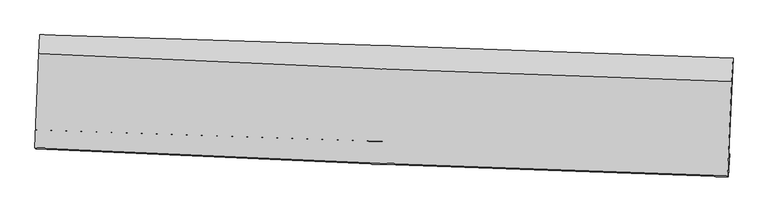
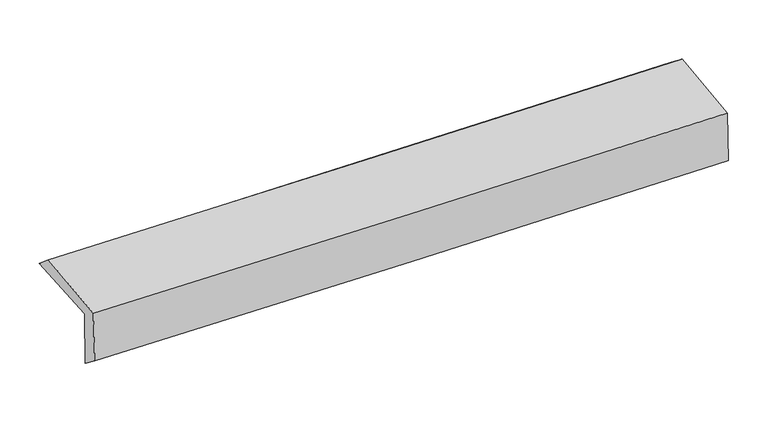
"""IFC4 building model written with IfcOpenShell, lengths in millimetres: proxy geometry."""

import ifcopenshell
import ifcopenshell.guid

model = None  # the IFC model being written
_history = None  # IfcOwnerHistory: only IFC2X3 demands one
_inside = {}  # id of a spatial element -> (the spatial element, [elements in it])
_under = {}  # id of a project, library or spatial element -> (it, [spatial elements below it])
_declared = {}  # id of a project -> (the project, [libraries it declares])
_typed = {}  # id of a type object -> (the type object, [elements of that type])
_made_of = {}  # id of a material, layer set ... -> (it, [elements and type objects made of it])


def new_model(schema):
    """Start an empty IFC model of exactly this schema.

    Asked for "IFC4X3", IfcOpenShell would pick the latest addendum, in which some entities
    have other attributes; the version numbers below select the first issue.
    IFC2X3 requires an IfcOwnerHistory on every rooted entity: one is made here for all.
    """
    global model, _history
    if schema == "IFC4X3":
        model = ifcopenshell.file(schema_version=(4, 3, 0, 0))
    else:
        model = ifcopenshell.file(schema=schema)
    _inside.clear()
    _under.clear()
    _declared.clear()
    _typed.clear()
    _made_of.clear()
    _history = None
    if model.schema == "IFC2X3":
        org = make("IfcOrganization", Name="unknown")
        user = make(
            "IfcPersonAndOrganization",
            ThePerson=make("IfcPerson", FamilyName="unknown"),
            TheOrganization=org,
        )
        app = make(
            "IfcApplication",
            ApplicationDeveloper=org,
            Version="unknown",
            ApplicationFullName="unknown",
            ApplicationIdentifier="unknown",
        )
        _history = make(
            "IfcOwnerHistory",
            OwningUser=user,
            OwningApplication=app,
            ChangeAction="ADDED",
            CreationDate=0,
        )
    return model


def make(cls, **values):
    """One entity of the class cls with the attributes given. An attribute that is None is left unset."""
    return model.create_entity(
        cls, **{name: value for name, value in values.items() if value is not None}
    )


def rooted(cls, **values):
    """An entity with a GlobalId (a new one), such as an element, a storey or a relation."""
    return make(cls, GlobalId=ifcopenshell.guid.new(), OwnerHistory=_history, **values)


def si_unit(unit_type, name, prefix=None):
    """IfcSIUnit, for example si_unit("LENGTHUNIT", "METRE", prefix="MILLI")."""
    return make("IfcSIUnit", UnitType=unit_type, Prefix=prefix, Name=name)


def assignment(units):
    """IfcUnitAssignment: the units of a project."""
    return None if units is None else make("IfcUnitAssignment", Units=units)


def point(xyz):
    """IfcCartesianPoint."""
    return None if xyz is None else make("IfcCartesianPoint", Coordinates=xyz)


def direction(xyz):
    """IfcDirection."""
    return None if xyz is None else make("IfcDirection", DirectionRatios=xyz)


def frame(location, z_axis=None, x_axis=None):
    """IfcAxis2Placement3D, a coordinate frame: its origin and axes. An axis left out is left unset."""
    return make(
        "IfcAxis2Placement3D",
        Location=point(location),
        Axis=direction(z_axis),
        RefDirection=direction(x_axis),
    )


def origin():
    """The frame at (0, 0, 0) with its axes left unset."""
    return frame((0.0, 0.0, 0.0))


def place(relative_to, where):
    """IfcLocalPlacement: puts the frame where relative to a parent placement (None: the world)."""
    return make(
        "IfcLocalPlacement", PlacementRelTo=relative_to, RelativePlacement=where
    )


def context(
    kind, dimensions, precision=None, world=None, true_north=None, identifier=None
):
    """IfcGeometricRepresentationContext, for example the 3D "Model" context."""
    return make(
        "IfcGeometricRepresentationContext",
        ContextIdentifier=identifier,
        ContextType=kind,
        CoordinateSpaceDimension=dimensions,
        Precision=precision,
        WorldCoordinateSystem=world,
        TrueNorth=true_north,
    )


def project(units=None, contexts=None):
    """IfcProject with its units and contexts."""
    return rooted(
        "IfcProject",
        Name="project",
        RepresentationContexts=contexts,
        UnitsInContext=assignment(units),
    )


def spatial(cls, under=None, at=None, **own):
    """A site, building, storey or space (cls), placed at a placement, below another one or the project."""
    s = rooted(cls, ObjectPlacement=at, **own)
    if under is not None:
        _under.setdefault(under.id(), (under, []))[1].append(s)
    return s


def shape(context_of_items, identifier, shape_type, items):
    """IfcShapeRepresentation: the items that make up one representation, for example the "Body"."""
    return make(
        "IfcShapeRepresentation",
        ContextOfItems=context_of_items,
        RepresentationIdentifier=identifier,
        RepresentationType=shape_type,
        Items=items,
    )


def source(mapping_origin, context_of_items, identifier, shape_type, items):
    """IfcRepresentationMap: a shape defined once, which mapped items show again and again."""
    return make(
        "IfcRepresentationMap",
        MappingOrigin=mapping_origin,
        MappedRepresentation=shape(context_of_items, identifier, shape_type, items),
    )


def transform(
    local_origin,
    x_axis=None,
    y_axis=None,
    z_axis=None,
    scale=None,
    scale2=None,
    scale3=None,
    uniform=True,
):
    """IfcCartesianTransformationOperator3D, or its non-uniform kind. x_axis, y_axis, z_axis: its Axis1, 2, 3."""
    if uniform:
        return make(
            "IfcCartesianTransformationOperator3D",
            Axis1=direction(x_axis),
            Axis2=direction(y_axis),
            LocalOrigin=point(local_origin),
            Scale=scale,
            Axis3=direction(z_axis),
        )
    return make(
        "IfcCartesianTransformationOperator3DnonUniform",
        Axis1=direction(x_axis),
        Axis2=direction(y_axis),
        LocalOrigin=point(local_origin),
        Scale=scale,
        Axis3=direction(z_axis),
        Scale2=scale2,
        Scale3=scale3,
    )


def mapped(mapping_source, mapping_target):
    """IfcMappedItem: shows the shape of a source again, moved by a transform."""
    return make(
        "IfcMappedItem", MappingSource=mapping_source, MappingTarget=mapping_target
    )


def made_of(thing, what):
    """Note that an element or type object is made of a material, layer set ...; save() writes the relation."""
    if what is not None:
        _made_of.setdefault(what.id(), (what, []))[1].append(thing)
    return thing


def element(
    cls,
    number,
    at=None,
    inside=None,
    cuts=None,
    type_object=None,
    material=None,
    context=None,
    identifier="Body",
    shape_type=None,
    held_by="IfcProductDefinitionShape",
    body=None,
    shapes=None,
    **own,
):
    """One element of the class cls, such as IfcWall. Its Tag is "e" and its number.

    at: its placement. inside: the storey or other place that contains it. cuts: it is an
    opening in that element (IfcRelVoidsElement). A single representation is given by context,
    identifier, shape_type and body (its items); several are given by shapes. held_by: the class
    of the entity that holds the representations. save() writes the other relations.
    """
    e = rooted(cls, Tag="e%d" % number, ObjectPlacement=at, **own)
    if body is not None:
        shapes = [shape(context, identifier, shape_type, body)]
    if shapes is not None:
        e.Representation = make(held_by, Representations=shapes)
    if inside is not None:
        _inside.setdefault(inside.id(), (inside, []))[1].append(e)
    if cuts is not None:
        rooted(
            "IfcRelVoidsElement", RelatingBuildingElement=cuts, RelatedOpeningElement=e
        )
    if type_object is not None:
        _typed.setdefault(type_object.id(), (type_object, []))[1].append(e)
    return made_of(e, material)


def aggregate(whole, parts):
    """IfcRelAggregates: a whole, such as a stair, and the parts it consists of."""
    return rooted("IfcRelAggregates", RelatingObject=whole, RelatedObjects=parts)


def save(model, path):
    """Write the relations noted so far, then the file.

    IfcRelAggregates (storeys below a building ...), IfcRelContainedInSpatialStructure (elements
    in a storey), IfcRelDefinesByType, IfcRelAssociatesMaterial and IfcRelDeclares: one each for
    every whole, place, type object, material and project.
    """
    for whole, parts in _under.values():
        aggregate(whole, parts)
    for where, things in _inside.values():
        rooted(
            "IfcRelContainedInSpatialStructure",
            RelatedElements=things,
            RelatingStructure=where,
        )
    for kind, things in _typed.values():
        rooted("IfcRelDefinesByType", RelatedObjects=things, RelatingType=kind)
    for what, things in _made_of.values():
        rooted("IfcRelAssociatesMaterial", RelatedObjects=things, RelatingMaterial=what)
    for by, libraries in _declared.values():
        rooted("IfcRelDeclares", RelatingContext=by, RelatedDefinitions=libraries)
    model.write(path)


def plane_surface(at):
    """IfcPlane: the flat surface through the origin of the frame at, square to its z axis."""
    return make("IfcPlane", Position=at)


def spline_curve(degree, points, multiplicities, knots, weights=None):
    """IfcBSplineCurveWithKnots; with weights, IfcRationalBSplineCurveWithKnots."""
    own = dict(
        Degree=degree,
        ControlPointsList=[point(p) for p in points],
        CurveForm="UNSPECIFIED",
        ClosedCurve=False,
        SelfIntersect=False,
        KnotMultiplicities=multiplicities,
        Knots=knots,
        KnotSpec="UNSPECIFIED",
    )
    if weights is None:
        return make("IfcBSplineCurveWithKnots", **own)
    return make("IfcRationalBSplineCurveWithKnots", WeightsData=weights, **own)


def spline_surface(u_degree, v_degree, points, u_multiplicities, v_multiplicities, u_knots, v_knots, weights=None):
    """IfcBSplineSurfaceWithKnots; with weights, IfcRationalBSplineSurfaceWithKnots. points: one row for each step in u."""
    own = dict(
        UDegree=u_degree,
        VDegree=v_degree,
        ControlPointsList=[[point(p) for p in row] for row in points],
        SurfaceForm="UNSPECIFIED",
        UClosed=False,
        VClosed=False,
        SelfIntersect=False,
        UMultiplicities=u_multiplicities,
        VMultiplicities=v_multiplicities,
        UKnots=u_knots,
        VKnots=v_knots,
        KnotSpec="UNSPECIFIED",
    )
    if weights is None:
        return make("IfcBSplineSurfaceWithKnots", **own)
    return make("IfcRationalBSplineSurfaceWithKnots", WeightsData=weights, **own)


def advanced_brep(points, edges, surfaces, faces):
    """IfcAdvancedBrep: a solid bounded by faces that lie on surfaces and meet in shared edges.

    An edge is (start, end): straight between two places in points (the first is 0);
    or (start, end, curve); or (start, end, curve, False) where it runs against its curve.
    A face is (place in surfaces, loops), or (place, loops, False) where it looks against
    its surface's normal. A loop lists edges by number (the first is 1), with a minus sign
    where the edge is run from its end to its start. The first loop is the outer one.
    """
    corners = [point(p) for p in points]
    vertices = [make("IfcVertexPoint", VertexGeometry=c) for c in corners]
    made = []
    for start, end, *more in edges:
        made.append(
            make(
                "IfcEdgeCurve",
                EdgeStart=vertices[start],
                EdgeEnd=vertices[end],
                EdgeGeometry=more[0] if more else make("IfcPolyline", Points=[corners[start], corners[end]]),
                SameSense=more[1] if len(more) > 1 else True,
            )
        )
    hull = []
    for where, loops, *sense in faces:
        bounds = []
        for j, loop in enumerate(loops):
            ring = [make("IfcOrientedEdge", EdgeElement=made[abs(k) - 1], Orientation=k > 0) for k in loop]
            bounds.append(
                make(
                    "IfcFaceOuterBound" if j == 0 else "IfcFaceBound",
                    Bound=make("IfcEdgeLoop", EdgeList=ring),
                    Orientation=True,
                )
            )
        hull.append(make("IfcAdvancedFace", Bounds=bounds, FaceSurface=surfaces[where], SameSense=sense[0] if sense else True))
    return make("IfcAdvancedBrep", Outer=make("IfcClosedShell", CfsFaces=hull))


def generic_models_1c0476ce(model_context):
    return source(origin(), model_context, "Body", "AdvancedBrep", [
        advanced_brep(
        [(-2422.9097096, -1715.5319781, 2012.8732249), (-2394.3773173, -1054.2944441, 2018.5030181), (2423.4586401, -1216.4239999, 2083.9660786), (2393.5633746, -1882.3454952, 2081.5618832), (-2416.5434605, -1710.033176, 1599.0590511), (2399.4114335, -1884.5172706, 1679.2736702), (-2424.2633058, -1850.4262914, 1710.0829681), (2390.5908414, -2044.4430009, 1789.7297442), (-2429.5736222, -1841.4491403, 2094.8970355), (2385.3068633, -2035.4670117, 2174.5442013), (-2401.7504426, -1186.3855847, 2130.3748454), (2414.2228816, -1380.4516626, 2210.0381791)],
        [
            (0, 1),
            (1, 2, spline_curve(3, [(-2394.3773173, -1054.2944441, 2018.5030181), (-1591.602785244, -1077.285735977, 2025.016941667), (-788.928552605, -1102.284469908, 2033.725358726), (817.016966063, -1156.32366303, 2055.542014512), (1620.28805249, -1185.368114143, 2068.654617957), (2423.4586401, -1216.4239999, 2083.9660786)], [4, 2, 4], [0.0, 7.903644577558312, 15.815144323791582])),
            (2, 3),
            (3, 0, spline_curve(3, [(2393.5633746, -1882.3454952, 2081.5618832), (1590.581960442, -1852.089965239, 2066.794985325), (787.519099518, -1823.054775022, 2053.685461169), (-817.972090119, -1767.452691382, 2030.79253104), (-1620.400257352, -1740.883375967, 2021.005835953), (-2422.9097096, -1715.5319781, 2012.8732249)], [4, 2, 4], [0.0, 7.91149974623327, 15.815144323791582])),
            (4, 0),
            (3, 5),
            (5, 4, spline_curve(3, [(2399.4114335, -1884.5172706, 1679.2736702), (1596.34934872, -1855.542335439, 1666.430716189), (793.289397931, -1826.507274579, 1653.321235161), (-812.028895807, -1768.345790444, 1626.582499608), (-1614.287243091, -1739.21948625, 1612.953774437), (-2416.5434605, -1710.033176, 1599.0590511)], [4, 2, 4], [0.0, 7.9104466709344115, 15.81303921877111])),
            (6, 4),
            (5, 7),
            (7, 6, spline_curve(3, [(2390.5908414, -2044.4430009, 1789.7297442), (1587.443856525, -2018.732751098, 1776.793470099), (784.433296636, -1989.699887165, 1763.684719385), (-820.517815086, -1925.021056137, 1737.135451478), (-1622.458637524, -1889.381683449, 1723.695276978), (-2424.2633058, -1850.4262914, 1710.0829681)], [4, 2, 4], [0.0, 7.9101011640745575, 15.8123485480982])),
            (8, 6),
            (7, 9),
            (9, 8, spline_curve(3, [(2385.3068633, -2035.4670117, 2174.5442013), (1582.154388451, -2009.756516177, 2161.607845814), (779.13888799, -1980.723432392, 2148.499022275), (-825.82100208, -1916.044214102, 2121.949624452), (-1627.765663414, -1880.404673845, 2108.509393197), (-2429.5736222, -1841.4491403, 2094.8970355)], [4, 2, 4], [0.0, 7.909900551449685, 15.811947522032689])),
            (10, 8),
            (9, 11),
            (11, 10, spline_curve(3, [(2414.2228816, -1380.4516626, 2210.0381791), (1610.84261647, -1354.730969022, 2197.098456462), (807.622117064, -1325.688767865, 2183.986601109), (-797.702007444, -1260.99348281, 2157.431814894), (-1599.80594932, -1225.346991495, 2143.989225492), (-2401.7504426, -1186.3855847, 2130.3748454)], [4, 2, 4], [0.0, 7.9108199396396985, 15.813785385570707])),
            (1, 10),
            (11, 2),
        ],
        [
            spline_surface(3, 3, [[(-2422.9097096, -1715.5319781, 2012.8732249), (-1620.400257299, -1740.883375854, 2021.00583587), (-817.972090149, -1767.452691407, 2030.79253114), (787.519099548, -1823.054774998, 2053.685461069), (1590.581960512, -1852.089965166, 2066.794985217), (2393.5633746, -1882.3454952, 2081.5618832)], [(-2413.398912168, -1495.119466766, 2014.749822654), (-1610.801099979, -1519.684162534, 2022.342871188), (-808.290910949, -1545.729950901, 2031.770140287), (797.351721711, -1600.811070965, 2054.304312214), (1600.483991154, -1629.849348173, 2067.414862773), (2403.528463109, -1660.371663428, 2082.363281673)], [(-2403.888114732, -1274.706955434, 2016.626420346), (-1601.201942655, -1298.484949217, 2023.679906443), (-798.609731764, -1324.00721047, 2032.74774951), (807.184343859, -1378.567367006, 2054.923163436), (1610.38602177, -1407.608731196, 2068.03474031), (2413.493551591, -1438.397831672, 2083.164680127)], [(-2394.3773173, -1054.2944441, 2018.5030181), (-1591.602785336, -1077.285735898, 2025.016941761), (-788.928552564, -1102.284469964, 2033.725358657), (817.016966022, -1156.323662973, 2055.542014582), (1620.288052412, -1185.368114204, 2068.654617866), (2423.4586401, -1216.4239999, 2083.9660786)]], [4, 4], [4, 2, 4], [0.0, 2.187000370896903], [0.0, 7.903644577558312, 15.815144323791582]),
            spline_surface(3, 3, [[(-2416.5434605, -1710.033176, 1599.0590511), (-1614.287243033, -1739.21948629, 1612.953774394), (-812.028895824, -1768.345790406, 1626.58249969), (793.289397948, -1826.507274618, 1653.321235079), (1596.349348724, -1855.542335348, 1666.430716096), (2399.4114335, -1884.5172706, 1679.2736702)], [(-2418.665543512, -1711.866110051, 1736.997109041), (-1616.324914434, -1739.774116162, 1748.971128227), (-814.009960581, -1768.048090739, 1761.31917686), (791.365965165, -1825.356441411, 1786.775977096), (1594.426885977, -1854.391545285, 1799.885472458), (2397.462080523, -1883.793345464, 1813.369741188)], [(-2420.787626588, -1713.699044049, 1874.935166959), (-1618.362585898, -1740.328745981, 1884.988482038), (-815.991025391, -1767.750391073, 1896.05585397), (789.44253233, -1824.205608205, 1920.230719052), (1592.504423259, -1853.240755229, 1933.340228855), (2395.512727577, -1883.069420336, 1947.465812212)], [(-2422.9097096, -1715.5319781, 2012.8732249), (-1620.400257299, -1740.883375854, 2021.00583587), (-817.972090149, -1767.452691407, 2030.79253114), (787.519099548, -1823.054774998, 2053.685461069), (1590.581960512, -1852.089965166, 2066.794985217), (2393.5633746, -1882.3454952, 2081.5618832)]], [4, 4], [4, 2, 4], [0.0, 1.3199925321911965], [0.0, 7.902592547836698, 15.81303921877111]),
            spline_surface(3, 3, [[(-2424.2633058, -1850.4262914, 1710.0829681), (-1622.458637621, -1889.381683519, 1723.695276927), (-820.517815039, -1925.02105607, 1737.135451583), (784.433296588, -1989.699887232, 1763.68471928), (1587.443856406, -2018.732751133, 1776.793469983), (2390.5908414, -2044.4430009, 1789.7297442)], [(-2421.690024032, -1803.628586271, 1673.074995753), (-1619.734839424, -1839.32761778, 1686.781442735), (-817.688175313, -1872.795967537, 1700.284467601), (787.385330362, -1935.302349716, 1726.896891196), (1590.412353854, -1964.335945861, 1740.005885363), (2393.531038775, -1991.134424123, 1752.911052876)], [(-2419.116742268, -1756.830881129, 1636.067023447), (-1617.011041231, -1789.273552028, 1649.867608585), (-814.85853555, -1820.570878939, 1663.433483671), (790.337364174, -1880.904812135, 1690.109063163), (1593.380851276, -1909.93914062, 1703.218300716), (2396.471236125, -1937.825847377, 1716.092361524)], [(-2416.5434605, -1710.033176, 1599.0590511), (-1614.287243033, -1739.21948629, 1612.953774394), (-812.028895824, -1768.345790406, 1626.58249969), (793.289397948, -1826.507274618, 1653.321235079), (1596.349348724, -1855.542335348, 1666.430716096), (2399.4114335, -1884.5172706, 1679.2736702)]], [4, 4], [4, 2, 4], [0.0, 0.6383414459678123], [0.0, 7.902247384023642, 15.8123485480982]),
            spline_surface(3, 3, [[(-2429.5736222, -1841.4491403, 2094.8970355), (-1627.76566342, -1880.404673965, 2108.509393073), (-825.821002042, -1916.044214056, 2121.949624579), (779.138887952, -1980.723432439, 2148.499022148), (1582.154388359, -2009.756516154, 2161.607845926), (2385.3068633, -2035.4670117, 2174.5442013)], [(-2427.803516727, -1844.441523985, 1966.625679701), (-1625.996654814, -1883.397010468, 1980.238021026), (-824.053273037, -1919.036494715, 1993.67823359), (780.903690834, -1983.715584025, 2020.227587868), (1583.917544357, -2012.748594493, 2033.336387293), (2387.068189315, -2038.459008112, 2046.272715614)], [(-2426.033411273, -1847.433907715, 1838.354323899), (-1624.227646226, -1886.389347016, 1851.966648974), (-822.285544044, -1922.02877541, 1865.406842572), (782.668493706, -1986.707735646, 1891.95615356), (1585.680700408, -2015.740672794, 1905.064928617), (2388.829515385, -2041.451004488, 1918.001229886)], [(-2424.2633058, -1850.4262914, 1710.0829681), (-1622.458637621, -1889.381683519, 1723.695276927), (-820.517815039, -1925.02105607, 1737.135451583), (784.433296588, -1989.699887232, 1763.68471928), (1587.443856406, -2018.732751133, 1776.793469983), (2390.5908414, -2044.4430009, 1789.7297442)]], [4, 4], [4, 2, 4], [0.0, 1.262977013573521], [0.0, 7.902046970583004, 15.811947522032689]),
            spline_surface(3, 3, [[(-2401.7504426, -1186.3855847, 2130.3748454), (-1599.805949349, -1225.346991419, 2143.98922558), (-797.702007337, -1260.993482809, 2157.431814894), (807.622116957, -1325.688767865, 2183.98660111), (1610.84261636, -1354.730969147, 2197.098456352), (2414.2228816, -1380.4516626, 2210.0381791)], [(-2411.024835813, -1404.740103217, 2118.548908772), (-1609.125854052, -1443.699552251, 2132.16261475), (-807.075005567, -1479.343726575, 2145.604418132), (798.127707293, -1544.033656073, 2172.157408132), (1601.279873712, -1573.07281815, 2185.268252867), (2404.584208852, -1598.7901123, 2198.206853158)], [(-2420.299228987, -1623.094621783, 2106.722972128), (-1618.445758717, -1662.052113133, 2120.336003903), (-816.448003812, -1697.69397029, 2133.777021341), (788.633297616, -1762.378544231, 2160.328215126), (1591.717131007, -1791.414667152, 2173.438049411), (2394.945536048, -1817.128562, 2186.375527242)], [(-2429.5736222, -1841.4491403, 2094.8970355), (-1627.76566342, -1880.404673965, 2108.509393073), (-825.821002042, -1916.044214056, 2121.949624579), (779.138887952, -1980.723432439, 2148.499022148), (1582.154388359, -2009.756516154, 2161.607845926), (2385.3068633, -2035.4670117, 2174.5442013)]], [4, 4], [4, 2, 4], [0.0, 2.1542432110570404], [0.0, 7.902965445931009, 15.813785385570707]),
            spline_surface(3, 3, [[(-2394.3773173, -1054.2944441, 2018.5030181), (-1591.602785336, -1077.285735898, 2025.016941761), (-788.928552564, -1102.284469964, 2033.725358657), (817.016966022, -1156.323662973, 2055.542014582), (1620.288052412, -1185.368114204, 2068.654617866), (2423.4586401, -1216.4239999, 2083.9660786)], [(-2396.835025748, -1098.32482431, 2055.793627179), (-1594.337173355, -1126.639487748, 2064.674369679), (-791.853037507, -1155.187474244, 2074.960844072), (813.885349649, -1212.778697935, 2098.356876761), (1617.139573719, -1241.82239919, 2111.469230686), (2420.380053925, -1271.099887472, 2125.990112091)], [(-2399.292734152, -1142.35520449, 2093.084236321), (-1597.07156133, -1175.993239569, 2104.331797661), (-794.777522394, -1208.090478529, 2116.196329478), (810.75373333, -1269.233732903, 2141.171738931), (1613.991095052, -1298.276684161, 2154.283843532), (2417.301467775, -1325.775775028, 2168.014145609)], [(-2401.7504426, -1186.3855847, 2130.3748454), (-1599.805949349, -1225.346991419, 2143.98922558), (-797.702007337, -1260.993482809, 2157.431814894), (807.622116957, -1325.688767865, 2183.98660111), (1610.84261636, -1354.730969147, 2197.098456352), (2414.2228816, -1380.4516626, 2210.0381791)]], [4, 4], [4, 2, 4], [0.0, 0.6794432431714393], [0.0, 7.904124213228551, 15.81610407182595]),
            plane_surface(frame((2401.0923391, -1740.6080735, 2003.1856261), z_axis=(0.9988825658863754, -0.044896212506749855, 0.014763118600077209), x_axis=(0.013726208624669872, -0.023316959272305614, -0.9996338882846488))),
            plane_surface(frame((-2414.9029763, -1559.6867691, 1927.6316905), z_axis=(-0.9989555720567586, 0.0432308766579365, -0.014793794649803387), x_axis=(-0.04310831452936815, -0.9990341958808515, -0.008505802674495097))),
        ],
        [
            (0, [[1, 2, 3, 4]]),
            (1, [[5, -4, 6, 7]]),
            (2, [[8, -7, 9, 10]]),
            (3, [[11, -10, 12, 13]]),
            (4, [[14, -13, 15, 16]]),
            (5, [[17, -16, 18, -2]]),
            (6, [[-12, -9, -6, -3, -18, -15]]),
            (7, [[-1, -5, -8, -11, -14, -17]]),
        ],
    ),
    ])


if __name__ == "__main__":
    model = new_model("IFC4")
    model_context = context("Model", 3, world=origin())
    ifc_project = project(units=[si_unit("LENGTHUNIT", "METRE", prefix="MILLI")], contexts=[model_context])
    site = spatial("IfcSite", under=ifc_project)
    building = spatial("IfcBuilding", under=site)
    placement = place(None, origin())
    generic_models_shape = generic_models_1c0476ce(model_context)
    element("IfcBuildingElementProxy", 1, Name="Generic Models", at=placement, inside=building, context=model_context, shape_type="MappedRepresentation", body=[
        mapped(generic_models_shape, transform((0.0, 0.0, 0.0), x_axis=(1.0, 0.0, 0.0), y_axis=(0.0, 1.0, 0.0), z_axis=(0.0, 0.0, 1.0))),
    ])
    save(model, "model.ifc")
